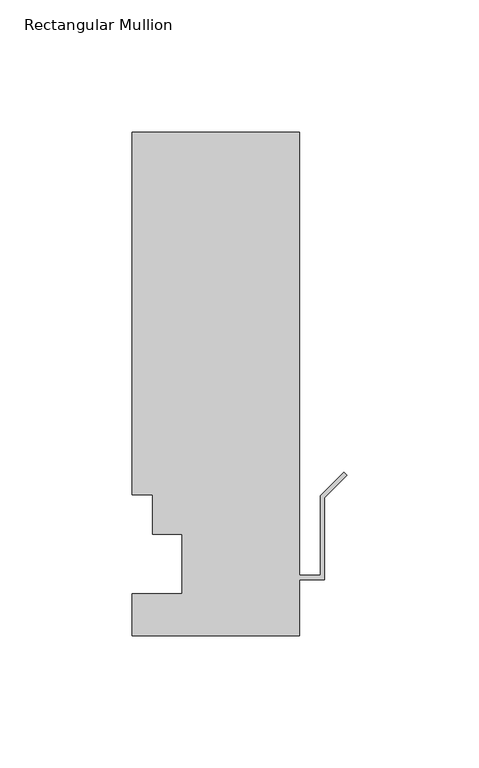
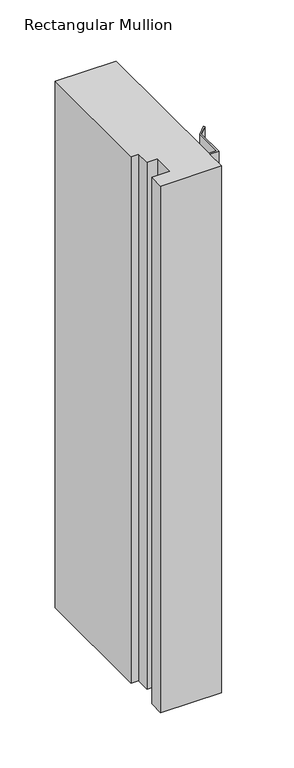
"""IFC4 building model written with IfcOpenShell, lengths in millimetres: member geometry, Rectangular Mullion."""

from ifc_helpers import new_model, si_unit, frame, origin, place, context, project, spatial, polyline, outline, extrude, source, transform, mapped, element, save


def rectangular_mullion_3d4bf3be(model_context):
    return source(origin(), model_context, "Body", "SweptSolid", [
        extrude(outline(polyline([(-81.5440079, 152.4992188), (-18.0440079, 152.4992188), (-18.0440079, -15.4201812), (-10.0938079, -15.4201812), (-10.0938079, 14.7550188), (-1.1135518, 23.7352749), (0.0, 22.6217231), (-8.5190079, 14.1027152), (-8.5190079, -16.9949812), (-18.0440079, -16.9949812), (-18.0440079, -38.2293813), (-81.5440079, -38.2293813), (-81.5440079, -22.3797813), (-62.4940079, -22.3797813), (-62.4940079, 0.0992188), (-73.6192079, 0.0992188), (-73.6192079, 15.1614188), (-81.5440079, 15.1614188), (-81.5440079, 152.4992188)])), frame((0.0, 0.0, -580.9581611), z_axis=(0.0, 0.0, 1.0), x_axis=(1.0, 0.0, 0.0)), (0.0, 0.0, 1.0), 580.9581611),
    ])


if __name__ == "__main__":
    model = new_model("IFC4")
    model_context = context("Model", 3, world=origin())
    ifc_project = project(units=[si_unit("LENGTHUNIT", "METRE", prefix="MILLI")], contexts=[model_context])
    site = spatial("IfcSite", under=ifc_project)
    building = spatial("IfcBuilding", under=site)
    placement = place(None, origin())
    rectangular_mullion_shape = rectangular_mullion_3d4bf3be(model_context)
    element("IfcMember", 1, ObjectType="Rectangular Mullion", at=placement, inside=building, context=model_context, shape_type="MappedRepresentation", body=[
        mapped(rectangular_mullion_shape, transform((0.0, 0.0, 0.0), x_axis=(1.0, 0.0, 0.0), y_axis=(0.0, 1.0, 0.0), z_axis=(0.0, 0.0, 1.0))),
    ])
    save(model, "model.ifc")
